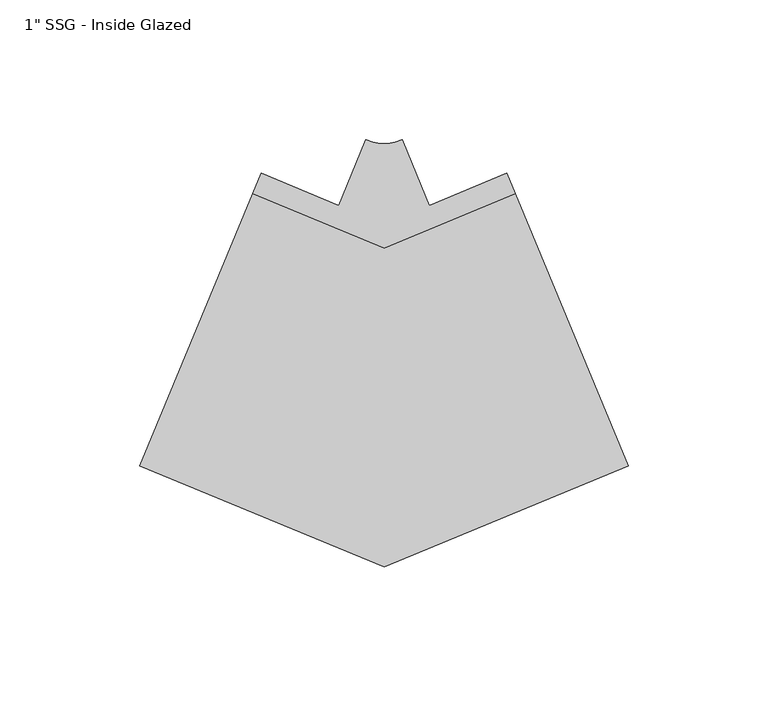
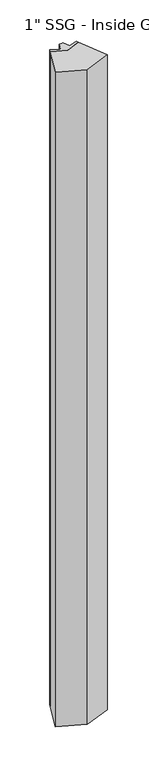
"""IFC4 building model written with IfcOpenShell, lengths in millimetres: proxy geometry."""

import ifcopenshell
import ifcopenshell.guid

model = None  # the IFC model being written
_history = None  # IfcOwnerHistory: only IFC2X3 demands one
_inside = {}  # id of a spatial element -> (the spatial element, [elements in it])
_under = {}  # id of a project, library or spatial element -> (it, [spatial elements below it])
_declared = {}  # id of a project -> (the project, [libraries it declares])
_typed = {}  # id of a type object -> (the type object, [elements of that type])
_made_of = {}  # id of a material, layer set ... -> (it, [elements and type objects made of it])


def new_model(schema):
    """Start an empty IFC model of exactly this schema.

    Asked for "IFC4X3", IfcOpenShell would pick the latest addendum, in which some entities
    have other attributes; the version numbers below select the first issue.
    IFC2X3 requires an IfcOwnerHistory on every rooted entity: one is made here for all.
    """
    global model, _history
    if schema == "IFC4X3":
        model = ifcopenshell.file(schema_version=(4, 3, 0, 0))
    else:
        model = ifcopenshell.file(schema=schema)
    _inside.clear()
    _under.clear()
    _declared.clear()
    _typed.clear()
    _made_of.clear()
    _history = None
    if model.schema == "IFC2X3":
        org = make("IfcOrganization", Name="unknown")
        user = make(
            "IfcPersonAndOrganization",
            ThePerson=make("IfcPerson", FamilyName="unknown"),
            TheOrganization=org,
        )
        app = make(
            "IfcApplication",
            ApplicationDeveloper=org,
            Version="unknown",
            ApplicationFullName="unknown",
            ApplicationIdentifier="unknown",
        )
        _history = make(
            "IfcOwnerHistory",
            OwningUser=user,
            OwningApplication=app,
            ChangeAction="ADDED",
            CreationDate=0,
        )
    return model


def make(cls, **values):
    """One entity of the class cls with the attributes given. An attribute that is None is left unset."""
    return model.create_entity(
        cls, **{name: value for name, value in values.items() if value is not None}
    )


def rooted(cls, **values):
    """An entity with a GlobalId (a new one), such as an element, a storey or a relation."""
    return make(cls, GlobalId=ifcopenshell.guid.new(), OwnerHistory=_history, **values)


def si_unit(unit_type, name, prefix=None):
    """IfcSIUnit, for example si_unit("LENGTHUNIT", "METRE", prefix="MILLI")."""
    return make("IfcSIUnit", UnitType=unit_type, Prefix=prefix, Name=name)


def assignment(units):
    """IfcUnitAssignment: the units of a project."""
    return None if units is None else make("IfcUnitAssignment", Units=units)


def point(xyz):
    """IfcCartesianPoint."""
    return None if xyz is None else make("IfcCartesianPoint", Coordinates=xyz)


def direction(xyz):
    """IfcDirection."""
    return None if xyz is None else make("IfcDirection", DirectionRatios=xyz)


def frame(location, z_axis=None, x_axis=None):
    """IfcAxis2Placement3D, a coordinate frame: its origin and axes. An axis left out is left unset."""
    return make(
        "IfcAxis2Placement3D",
        Location=point(location),
        Axis=direction(z_axis),
        RefDirection=direction(x_axis),
    )


def frame_2d(location, x_axis=None):
    """IfcAxis2Placement2D, a coordinate frame in the plane: its origin and x axis."""
    return make(
        "IfcAxis2Placement2D", Location=point(location), RefDirection=direction(x_axis)
    )


def origin():
    """The frame at (0, 0, 0) with its axes left unset."""
    return frame((0.0, 0.0, 0.0))


def place(relative_to, where):
    """IfcLocalPlacement: puts the frame where relative to a parent placement (None: the world)."""
    return make(
        "IfcLocalPlacement", PlacementRelTo=relative_to, RelativePlacement=where
    )


def context(
    kind, dimensions, precision=None, world=None, true_north=None, identifier=None
):
    """IfcGeometricRepresentationContext, for example the 3D "Model" context."""
    return make(
        "IfcGeometricRepresentationContext",
        ContextIdentifier=identifier,
        ContextType=kind,
        CoordinateSpaceDimension=dimensions,
        Precision=precision,
        WorldCoordinateSystem=world,
        TrueNorth=true_north,
    )


def project(units=None, contexts=None):
    """IfcProject with its units and contexts."""
    return rooted(
        "IfcProject",
        Name="project",
        RepresentationContexts=contexts,
        UnitsInContext=assignment(units),
    )


def spatial(cls, under=None, at=None, **own):
    """A site, building, storey or space (cls), placed at a placement, below another one or the project."""
    s = rooted(cls, ObjectPlacement=at, **own)
    if under is not None:
        _under.setdefault(under.id(), (under, []))[1].append(s)
    return s


def polyline(points):
    """IfcPolyline through the points."""
    return make("IfcPolyline", Points=[point(p) for p in points])


def circle_curve(where, radius):
    """IfcCircle in the frame where."""
    return make("IfcCircle", Position=where, Radius=radius)


def trimmed(basis, trim1, trim2, sense, master):
    """IfcTrimmedCurve: the piece of a basis curve between two trims."""
    return make(
        "IfcTrimmedCurve",
        BasisCurve=basis,
        Trim1=trim1,
        Trim2=trim2,
        SenseAgreement=sense,
        MasterRepresentation=master,
    )


def segment(curve, same_sense, transition):
    """IfcCompositeCurveSegment."""
    return make(
        "IfcCompositeCurveSegment",
        Transition=transition,
        SameSense=same_sense,
        ParentCurve=curve,
    )


def composite_curve(segments, self_intersect=None):
    """IfcCompositeCurve: segments joined end to end."""
    return make("IfcCompositeCurve", Segments=segments, SelfIntersect=self_intersect)


def outline(outer, holes=None, kind="AREA"):
    """IfcArbitraryClosedProfileDef: a profile drawn as a closed curve; with holes, ...WithVoids."""
    if holes is None:
        return make("IfcArbitraryClosedProfileDef", ProfileType=kind, OuterCurve=outer)
    return make(
        "IfcArbitraryProfileDefWithVoids",
        ProfileType=kind,
        OuterCurve=outer,
        InnerCurves=holes,
    )


def extrude(swept, where, along, depth):
    """IfcExtrudedAreaSolid: the profile swept, set in the frame where, extruded along a direction by depth."""
    return make(
        "IfcExtrudedAreaSolid",
        SweptArea=swept,
        Position=where,
        ExtrudedDirection=direction(along),
        Depth=depth,
    )


def shape(context_of_items, identifier, shape_type, items):
    """IfcShapeRepresentation: the items that make up one representation, for example the "Body"."""
    return make(
        "IfcShapeRepresentation",
        ContextOfItems=context_of_items,
        RepresentationIdentifier=identifier,
        RepresentationType=shape_type,
        Items=items,
    )


def source(mapping_origin, context_of_items, identifier, shape_type, items):
    """IfcRepresentationMap: a shape defined once, which mapped items show again and again."""
    return make(
        "IfcRepresentationMap",
        MappingOrigin=mapping_origin,
        MappedRepresentation=shape(context_of_items, identifier, shape_type, items),
    )


def transform(
    local_origin,
    x_axis=None,
    y_axis=None,
    z_axis=None,
    scale=None,
    scale2=None,
    scale3=None,
    uniform=True,
):
    """IfcCartesianTransformationOperator3D, or its non-uniform kind. x_axis, y_axis, z_axis: its Axis1, 2, 3."""
    if uniform:
        return make(
            "IfcCartesianTransformationOperator3D",
            Axis1=direction(x_axis),
            Axis2=direction(y_axis),
            LocalOrigin=point(local_origin),
            Scale=scale,
            Axis3=direction(z_axis),
        )
    return make(
        "IfcCartesianTransformationOperator3DnonUniform",
        Axis1=direction(x_axis),
        Axis2=direction(y_axis),
        LocalOrigin=point(local_origin),
        Scale=scale,
        Axis3=direction(z_axis),
        Scale2=scale2,
        Scale3=scale3,
    )


def mapped(mapping_source, mapping_target):
    """IfcMappedItem: shows the shape of a source again, moved by a transform."""
    return make(
        "IfcMappedItem", MappingSource=mapping_source, MappingTarget=mapping_target
    )


def made_of(thing, what):
    """Note that an element or type object is made of a material, layer set ...; save() writes the relation."""
    if what is not None:
        _made_of.setdefault(what.id(), (what, []))[1].append(thing)
    return thing


def element(
    cls,
    number,
    at=None,
    inside=None,
    cuts=None,
    type_object=None,
    material=None,
    context=None,
    identifier="Body",
    shape_type=None,
    held_by="IfcProductDefinitionShape",
    body=None,
    shapes=None,
    **own,
):
    """One element of the class cls, such as IfcWall. Its Tag is "e" and its number.

    at: its placement. inside: the storey or other place that contains it. cuts: it is an
    opening in that element (IfcRelVoidsElement). A single representation is given by context,
    identifier, shape_type and body (its items); several are given by shapes. held_by: the class
    of the entity that holds the representations. save() writes the other relations.
    """
    e = rooted(cls, Tag="e%d" % number, ObjectPlacement=at, **own)
    if body is not None:
        shapes = [shape(context, identifier, shape_type, body)]
    if shapes is not None:
        e.Representation = make(held_by, Representations=shapes)
    if inside is not None:
        _inside.setdefault(inside.id(), (inside, []))[1].append(e)
    if cuts is not None:
        rooted(
            "IfcRelVoidsElement", RelatingBuildingElement=cuts, RelatedOpeningElement=e
        )
    if type_object is not None:
        _typed.setdefault(type_object.id(), (type_object, []))[1].append(e)
    return made_of(e, material)


def aggregate(whole, parts):
    """IfcRelAggregates: a whole, such as a stair, and the parts it consists of."""
    return rooted("IfcRelAggregates", RelatingObject=whole, RelatedObjects=parts)


def save(model, path):
    """Write the relations noted so far, then the file.

    IfcRelAggregates (storeys below a building ...), IfcRelContainedInSpatialStructure (elements
    in a storey), IfcRelDefinesByType, IfcRelAssociatesMaterial and IfcRelDeclares: one each for
    every whole, place, type object, material and project.
    """
    for whole, parts in _under.values():
        aggregate(whole, parts)
    for where, things in _inside.values():
        rooted(
            "IfcRelContainedInSpatialStructure",
            RelatedElements=things,
            RelatingStructure=where,
        )
    for kind, things in _typed.values():
        rooted("IfcRelDefinesByType", RelatedObjects=things, RelatingType=kind)
    for what, things in _made_of.values():
        rooted("IfcRelAssociatesMaterial", RelatedObjects=things, RelatingMaterial=what)
    for by, libraries in _declared.values():
        rooted("IfcRelDeclares", RelatingContext=by, RelatedDefinitions=libraries)
    model.write(path)


def proxy_227f4511(model_context):
    return source(origin(), model_context, "Body", "SweptSolid", [
        extrude(outline(composite_curve([segment(polyline([(-43.9034048, -9.3075121), (-16.1765181, -20.7923646), (-6.4567805, 2.6743502)]), True, "CONTINUOUS"), segment(trimmed(circle_curve(frame_2d((0.0, 16.9054382)), 15.627344), [point((-6.4567805, 2.6743502))], [point((6.4567805, 2.6743502))], True, "CARTESIAN"), True, "CONTINUOUS"), segment(polyline([(6.4567805, 2.6743502), (16.1765181, -20.7923646), (43.9036111, -9.3080101), (46.9330803, -16.6217956), (0.0011923, -36.0616201), (-46.9330803, -16.6217956), (-43.9034048, -9.3075121)]), True, "CONTINUOUS")], self_intersect=False)), frame((0.0, 0.0, 63.5), z_axis=(0.0, 0.0, 1.0), x_axis=(1.0, 0.0, 0.0)), (0.0, 0.0, 1.0), 2311.4),
        extrude(outline(polyline([(-46.9330803, -16.6217956), (0.0011923, -36.0616201), (46.9330803, -16.6217956), (87.2717409, -114.0079372), (0.0, -150.1570758), (-87.2717409, -114.0079372), (-46.9330803, -16.6217956)])), frame((0.0, 0.0, 63.5), z_axis=(0.0, 0.0, 1.0), x_axis=(1.0, 0.0, 0.0)), (0.0, 0.0, 1.0), 2311.4),
    ])


if __name__ == "__main__":
    model = new_model("IFC4")
    model_context = context("Model", 3, world=origin())
    ifc_project = project(units=[si_unit("LENGTHUNIT", "METRE", prefix="MILLI")], contexts=[model_context])
    site = spatial("IfcSite", under=ifc_project)
    building = spatial("IfcBuilding", under=site)
    placement = place(None, origin())
    proxy_shape = proxy_227f4511(model_context)
    element("IfcBuildingElementProxy", 1, Name="1\" SSG - Inside Glazed", ObjectType="1\" SSG - Inside Glazed", at=placement, inside=building, context=model_context, shape_type="MappedRepresentation", body=[
        mapped(proxy_shape, transform((0.0, 0.0, 0.0), x_axis=(1.0, 0.0, 0.0), y_axis=(0.0, 1.0, 0.0), z_axis=(0.0, 0.0, 1.0))),
    ])
    save(model, "model.ifc")
